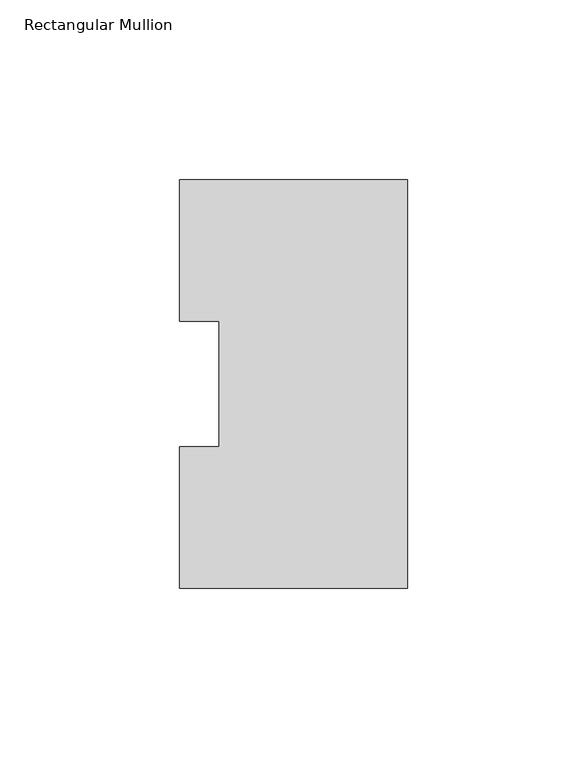
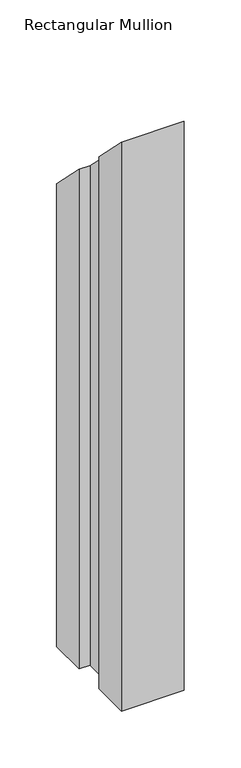
"""IFC4 building model written with IfcOpenShell, lengths in millimetres: member geometry, Rectangular Mullion."""

from ifc_helpers import new_model, si_unit, origin, place, context, project, spatial, faceted_brep, source, transform, mapped, element, save


def rectangular_mullion_bbc15788(model_context):
    return source(origin(), model_context, "Body", "Brep", [
        faceted_brep([(0.0, 114.017425, -609.56825), (0.0, 0.225425, -609.56825), (-63.5, 0.225425, -609.56825), (-63.5, 39.646225, -609.56825), (-52.3875, 39.646225, -609.56825), (-52.3875, 74.596625, -609.56825), (-63.5, 74.596625, -609.56825), (-63.5, 114.017425, -609.56825), (-63.5, 114.017425, -114.017425), (0.0, 114.017425, -114.017425), (-63.5, 74.596625, -74.596625), (-52.3875, 74.596625, -74.596625), (-52.3875, 39.646225, -39.646225), (-63.5, 39.646225, -39.646225), (-63.5, 0.225425, -0.225425), (0.0, 0.225425, -0.225425)], [[[0, 1, 2, 3, 4, 5, 6, 7]], [[8, 9, 0, 7]], [[10, 8, 7, 6]], [[11, 10, 6, 5]], [[12, 11, 5, 4]], [[13, 12, 4, 3]], [[14, 13, 3, 2]], [[15, 14, 2, 1]], [[9, 15, 1, 0]], [[9, 8, 10, 11, 12, 13, 14, 15]]]),
    ])


if __name__ == "__main__":
    model = new_model("IFC4")
    model_context = context("Model", 3, world=origin())
    ifc_project = project(units=[si_unit("LENGTHUNIT", "METRE", prefix="MILLI")], contexts=[model_context])
    site = spatial("IfcSite", under=ifc_project)
    building = spatial("IfcBuilding", under=site)
    placement = place(None, origin())
    rectangular_mullion_shape = rectangular_mullion_bbc15788(model_context)
    element("IfcMember", 1, ObjectType="Rectangular Mullion", at=placement, inside=building, context=model_context, shape_type="MappedRepresentation", body=[
        mapped(rectangular_mullion_shape, transform((0.0, 0.0, 0.0), x_axis=(1.0, 0.0, 0.0), y_axis=(0.0, 1.0, 0.0), z_axis=(0.0, 0.0, 1.0))),
    ])
    save(model, "model.ifc")
